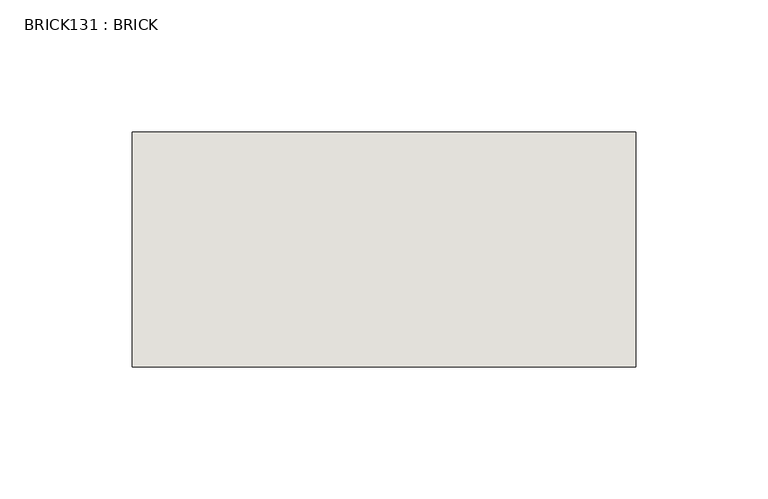
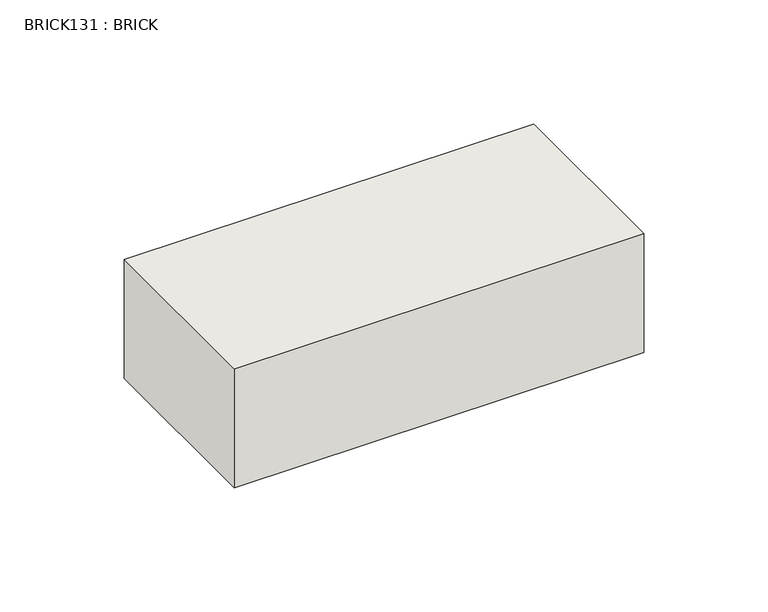
"""IFC4 building model written with IfcOpenShell, lengths in millimetres: wall geometry, BRICK131 : BRICK."""

import ifcopenshell
import ifcopenshell.guid

model = None  # the IFC model being written
_history = None  # IfcOwnerHistory: only IFC2X3 demands one
_inside = {}  # id of a spatial element -> (the spatial element, [elements in it])
_under = {}  # id of a project, library or spatial element -> (it, [spatial elements below it])
_declared = {}  # id of a project -> (the project, [libraries it declares])
_typed = {}  # id of a type object -> (the type object, [elements of that type])
_made_of = {}  # id of a material, layer set ... -> (it, [elements and type objects made of it])


def new_model(schema):
    """Start an empty IFC model of exactly this schema.

    Asked for "IFC4X3", IfcOpenShell would pick the latest addendum, in which some entities
    have other attributes; the version numbers below select the first issue.
    IFC2X3 requires an IfcOwnerHistory on every rooted entity: one is made here for all.
    """
    global model, _history
    if schema == "IFC4X3":
        model = ifcopenshell.file(schema_version=(4, 3, 0, 0))
    else:
        model = ifcopenshell.file(schema=schema)
    _inside.clear()
    _under.clear()
    _declared.clear()
    _typed.clear()
    _made_of.clear()
    _history = None
    if model.schema == "IFC2X3":
        org = make("IfcOrganization", Name="unknown")
        user = make(
            "IfcPersonAndOrganization",
            ThePerson=make("IfcPerson", FamilyName="unknown"),
            TheOrganization=org,
        )
        app = make(
            "IfcApplication",
            ApplicationDeveloper=org,
            Version="unknown",
            ApplicationFullName="unknown",
            ApplicationIdentifier="unknown",
        )
        _history = make(
            "IfcOwnerHistory",
            OwningUser=user,
            OwningApplication=app,
            ChangeAction="ADDED",
            CreationDate=0,
        )
    return model


def make(cls, **values):
    """One entity of the class cls with the attributes given. An attribute that is None is left unset."""
    return model.create_entity(
        cls, **{name: value for name, value in values.items() if value is not None}
    )


def rooted(cls, **values):
    """An entity with a GlobalId (a new one), such as an element, a storey or a relation."""
    return make(cls, GlobalId=ifcopenshell.guid.new(), OwnerHistory=_history, **values)


def si_unit(unit_type, name, prefix=None):
    """IfcSIUnit, for example si_unit("LENGTHUNIT", "METRE", prefix="MILLI")."""
    return make("IfcSIUnit", UnitType=unit_type, Prefix=prefix, Name=name)


def assignment(units):
    """IfcUnitAssignment: the units of a project."""
    return None if units is None else make("IfcUnitAssignment", Units=units)


def point(xyz):
    """IfcCartesianPoint."""
    return None if xyz is None else make("IfcCartesianPoint", Coordinates=xyz)


def direction(xyz):
    """IfcDirection."""
    return None if xyz is None else make("IfcDirection", DirectionRatios=xyz)


def frame(location, z_axis=None, x_axis=None):
    """IfcAxis2Placement3D, a coordinate frame: its origin and axes. An axis left out is left unset."""
    return make(
        "IfcAxis2Placement3D",
        Location=point(location),
        Axis=direction(z_axis),
        RefDirection=direction(x_axis),
    )


def origin():
    """The frame at (0, 0, 0) with its axes left unset."""
    return frame((0.0, 0.0, 0.0))


def place(relative_to, where):
    """IfcLocalPlacement: puts the frame where relative to a parent placement (None: the world)."""
    return make(
        "IfcLocalPlacement", PlacementRelTo=relative_to, RelativePlacement=where
    )


def context(
    kind, dimensions, precision=None, world=None, true_north=None, identifier=None
):
    """IfcGeometricRepresentationContext, for example the 3D "Model" context."""
    return make(
        "IfcGeometricRepresentationContext",
        ContextIdentifier=identifier,
        ContextType=kind,
        CoordinateSpaceDimension=dimensions,
        Precision=precision,
        WorldCoordinateSystem=world,
        TrueNorth=true_north,
    )


def project(units=None, contexts=None):
    """IfcProject with its units and contexts."""
    return rooted(
        "IfcProject",
        Name="project",
        RepresentationContexts=contexts,
        UnitsInContext=assignment(units),
    )


def spatial(cls, under=None, at=None, **own):
    """A site, building, storey or space (cls), placed at a placement, below another one or the project."""
    s = rooted(cls, ObjectPlacement=at, **own)
    if under is not None:
        _under.setdefault(under.id(), (under, []))[1].append(s)
    return s


def polyline(points):
    """IfcPolyline through the points."""
    return make("IfcPolyline", Points=[point(p) for p in points])


def outline(outer, holes=None, kind="AREA"):
    """IfcArbitraryClosedProfileDef: a profile drawn as a closed curve; with holes, ...WithVoids."""
    if holes is None:
        return make("IfcArbitraryClosedProfileDef", ProfileType=kind, OuterCurve=outer)
    return make(
        "IfcArbitraryProfileDefWithVoids",
        ProfileType=kind,
        OuterCurve=outer,
        InnerCurves=holes,
    )


def extrude(swept, where, along, depth):
    """IfcExtrudedAreaSolid: the profile swept, set in the frame where, extruded along a direction by depth."""
    return make(
        "IfcExtrudedAreaSolid",
        SweptArea=swept,
        Position=where,
        ExtrudedDirection=direction(along),
        Depth=depth,
    )


def shape(context_of_items, identifier, shape_type, items):
    """IfcShapeRepresentation: the items that make up one representation, for example the "Body"."""
    return make(
        "IfcShapeRepresentation",
        ContextOfItems=context_of_items,
        RepresentationIdentifier=identifier,
        RepresentationType=shape_type,
        Items=items,
    )


def source(mapping_origin, context_of_items, identifier, shape_type, items):
    """IfcRepresentationMap: a shape defined once, which mapped items show again and again."""
    return make(
        "IfcRepresentationMap",
        MappingOrigin=mapping_origin,
        MappedRepresentation=shape(context_of_items, identifier, shape_type, items),
    )


def transform(
    local_origin,
    x_axis=None,
    y_axis=None,
    z_axis=None,
    scale=None,
    scale2=None,
    scale3=None,
    uniform=True,
):
    """IfcCartesianTransformationOperator3D, or its non-uniform kind. x_axis, y_axis, z_axis: its Axis1, 2, 3."""
    if uniform:
        return make(
            "IfcCartesianTransformationOperator3D",
            Axis1=direction(x_axis),
            Axis2=direction(y_axis),
            LocalOrigin=point(local_origin),
            Scale=scale,
            Axis3=direction(z_axis),
        )
    return make(
        "IfcCartesianTransformationOperator3DnonUniform",
        Axis1=direction(x_axis),
        Axis2=direction(y_axis),
        LocalOrigin=point(local_origin),
        Scale=scale,
        Axis3=direction(z_axis),
        Scale2=scale2,
        Scale3=scale3,
    )


def mapped(mapping_source, mapping_target):
    """IfcMappedItem: shows the shape of a source again, moved by a transform."""
    return make(
        "IfcMappedItem", MappingSource=mapping_source, MappingTarget=mapping_target
    )


def made_of(thing, what):
    """Note that an element or type object is made of a material, layer set ...; save() writes the relation."""
    if what is not None:
        _made_of.setdefault(what.id(), (what, []))[1].append(thing)
    return thing


def element(
    cls,
    number,
    at=None,
    inside=None,
    cuts=None,
    type_object=None,
    material=None,
    context=None,
    identifier="Body",
    shape_type=None,
    held_by="IfcProductDefinitionShape",
    body=None,
    shapes=None,
    **own,
):
    """One element of the class cls, such as IfcWall. Its Tag is "e" and its number.

    at: its placement. inside: the storey or other place that contains it. cuts: it is an
    opening in that element (IfcRelVoidsElement). A single representation is given by context,
    identifier, shape_type and body (its items); several are given by shapes. held_by: the class
    of the entity that holds the representations. save() writes the other relations.
    """
    e = rooted(cls, Tag="e%d" % number, ObjectPlacement=at, **own)
    if body is not None:
        shapes = [shape(context, identifier, shape_type, body)]
    if shapes is not None:
        e.Representation = make(held_by, Representations=shapes)
    if inside is not None:
        _inside.setdefault(inside.id(), (inside, []))[1].append(e)
    if cuts is not None:
        rooted(
            "IfcRelVoidsElement", RelatingBuildingElement=cuts, RelatedOpeningElement=e
        )
    if type_object is not None:
        _typed.setdefault(type_object.id(), (type_object, []))[1].append(e)
    return made_of(e, material)


def aggregate(whole, parts):
    """IfcRelAggregates: a whole, such as a stair, and the parts it consists of."""
    return rooted("IfcRelAggregates", RelatingObject=whole, RelatedObjects=parts)


def save(model, path):
    """Write the relations noted so far, then the file.

    IfcRelAggregates (storeys below a building ...), IfcRelContainedInSpatialStructure (elements
    in a storey), IfcRelDefinesByType, IfcRelAssociatesMaterial and IfcRelDeclares: one each for
    every whole, place, type object, material and project.
    """
    for whole, parts in _under.values():
        aggregate(whole, parts)
    for where, things in _inside.values():
        rooted(
            "IfcRelContainedInSpatialStructure",
            RelatedElements=things,
            RelatingStructure=where,
        )
    for kind, things in _typed.values():
        rooted("IfcRelDefinesByType", RelatedObjects=things, RelatingType=kind)
    for what, things in _made_of.values():
        rooted("IfcRelAssociatesMaterial", RelatedObjects=things, RelatingMaterial=what)
    for by, libraries in _declared.values():
        rooted("IfcRelDeclares", RelatingContext=by, RelatedDefinitions=libraries)
    model.write(path)


def brick131_brick_1e8b0bb1(model_context):
    return source(origin(), model_context, "Body", "SweptSolid", [
        extrude(outline(polyline([(325.7272594, 2586.2274125), (516.2272594, 2586.2274125), (516.2272594, 2497.3274125), (325.7272594, 2497.3274125), (325.7272594, 2586.2274125)])), frame((0.0, 0.0, 143.8671875), z_axis=(0.0, 0.0, 1.0), x_axis=(1.0, 0.0, 0.0)), (0.0, 0.0, 1.0), 58.4398437),
    ])


if __name__ == "__main__":
    model = new_model("IFC4")
    model_context = context("Model", 3, world=origin())
    ifc_project = project(units=[si_unit("LENGTHUNIT", "METRE", prefix="MILLI")], contexts=[model_context])
    site = spatial("IfcSite", under=ifc_project)
    building = spatial("IfcBuilding", under=site)
    placement = place(None, origin())
    brick131_brick_shape = brick131_brick_1e8b0bb1(model_context)
    element("IfcWall", 1, ObjectType="BRICK131 : BRICK", at=placement, inside=building, context=model_context, shape_type="MappedRepresentation", body=[
        mapped(brick131_brick_shape, transform((0.0, 0.0, 0.0), x_axis=(1.0, 0.0, 0.0), y_axis=(0.0, 1.0, 0.0), z_axis=(0.0, 0.0, 1.0))),
    ])
    save(model, "model.ifc")
